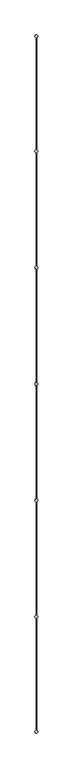
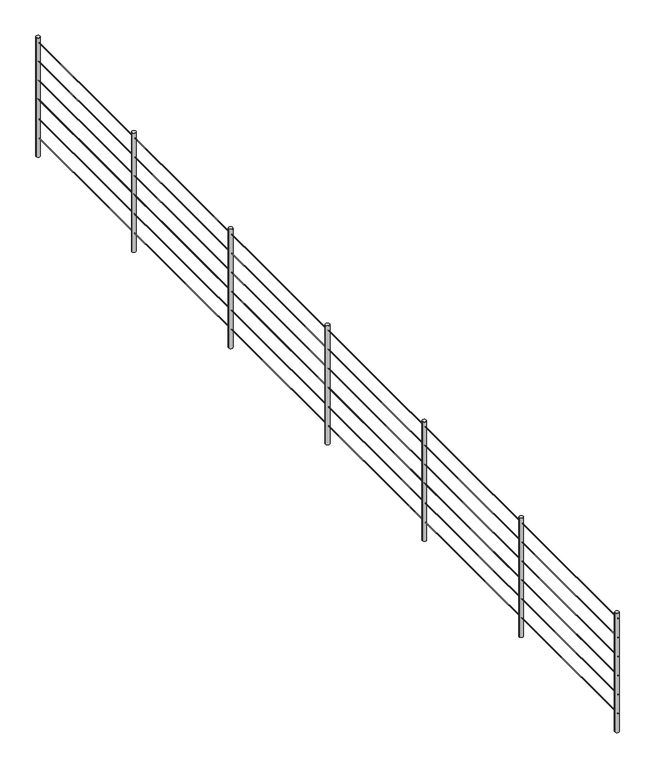
"""IFC4 building model written with IfcOpenShell, lengths in millimetres: railing geometry."""

from ifc_helpers import new_model, si_unit, point, frame, frame_2d, origin, origin_with_axes, place, context, project, spatial, circle_curve, trimmed, segment, composite_curve, outline, extrude, source, transform, mapped, element, save


def railing_3e603658(model_context):
    return source(origin(), model_context, "Body", "SweptSolid", [
        extrude(outline(composite_curve([segment(trimmed(circle_curve(frame_2d((1197.0, 9691.8596432)), 3.0), [point((1197.0, 9688.8596432))], [point((1197.0, 9694.8596432))], False, "CARTESIAN"), True, "CONTINUOUS"), segment(trimmed(circle_curve(frame_2d((1197.0, 9691.8596432)), 3.0), [point((1197.0, 9694.8596432))], [point((1197.0, 9688.8596432))], False, "CARTESIAN"), True, "CONTINUOUS")], self_intersect=False)), frame((0.0, 46983.3026478, 0.0), z_axis=(0.0, 1.0, 0.0), x_axis=(0.0, 0.0, 1.0)), (0.0, 0.0, 1.0), 10000.0),
        extrude(outline(composite_curve([segment(trimmed(circle_curve(frame_2d((997.0, 9691.8596432)), 3.0), [point((997.0, 9688.8596432))], [point((997.0, 9694.8596432))], False, "CARTESIAN"), True, "CONTINUOUS"), segment(trimmed(circle_curve(frame_2d((997.0, 9691.8596432)), 3.0), [point((997.0, 9694.8596432))], [point((997.0, 9688.8596432))], False, "CARTESIAN"), True, "CONTINUOUS")], self_intersect=False)), frame((0.0, 46983.3026478, 0.0), z_axis=(0.0, 1.0, 0.0), x_axis=(0.0, 0.0, 1.0)), (0.0, 0.0, 1.0), 10000.0),
        extrude(outline(composite_curve([segment(trimmed(circle_curve(frame_2d((797.0, 9691.8596432)), 3.0), [point((797.0, 9688.8596432))], [point((797.0, 9694.8596432))], False, "CARTESIAN"), True, "CONTINUOUS"), segment(trimmed(circle_curve(frame_2d((797.0, 9691.8596432)), 3.0), [point((797.0, 9694.8596432))], [point((797.0, 9688.8596432))], False, "CARTESIAN"), True, "CONTINUOUS")], self_intersect=False)), frame((0.0, 46983.3026478, 0.0), z_axis=(0.0, 1.0, 0.0), x_axis=(0.0, 0.0, 1.0)), (0.0, 0.0, 1.0), 10000.0),
        extrude(outline(composite_curve([segment(trimmed(circle_curve(frame_2d((597.0, 9691.8596432)), 3.0), [point((597.0, 9688.8596432))], [point((597.0, 9694.8596432))], False, "CARTESIAN"), True, "CONTINUOUS"), segment(trimmed(circle_curve(frame_2d((597.0, 9691.8596432)), 3.0), [point((597.0, 9694.8596432))], [point((597.0, 9688.8596432))], False, "CARTESIAN"), True, "CONTINUOUS")], self_intersect=False)), frame((0.0, 46983.3026478, 0.0), z_axis=(0.0, 1.0, 0.0), x_axis=(0.0, 0.0, 1.0)), (0.0, 0.0, 1.0), 10000.0),
        extrude(outline(composite_curve([segment(trimmed(circle_curve(frame_2d((397.0, 9691.8596432)), 3.0), [point((397.0, 9688.8596432))], [point((397.0, 9694.8596432))], False, "CARTESIAN"), True, "CONTINUOUS"), segment(trimmed(circle_curve(frame_2d((397.0, 9691.8596432)), 3.0), [point((397.0, 9694.8596432))], [point((397.0, 9688.8596432))], False, "CARTESIAN"), True, "CONTINUOUS")], self_intersect=False)), frame((0.0, 46983.3026478, 0.0), z_axis=(0.0, 1.0, 0.0), x_axis=(0.0, 0.0, 1.0)), (0.0, 0.0, 1.0), 10000.0),
        extrude(outline(composite_curve([segment(trimmed(circle_curve(frame_2d((197.0, 9691.8596432)), 3.0), [point((197.0, 9688.8596432))], [point((197.0, 9694.8596432))], False, "CARTESIAN"), True, "CONTINUOUS"), segment(trimmed(circle_curve(frame_2d((197.0, 9691.8596432)), 3.0), [point((197.0, 9694.8596432))], [point((197.0, 9688.8596432))], False, "CARTESIAN"), True, "CONTINUOUS")], self_intersect=False)), frame((0.0, 46983.3026478, 0.0), z_axis=(0.0, 1.0, 0.0), x_axis=(0.0, 0.0, 1.0)), (0.0, 0.0, 1.0), 10000.0),
        extrude(outline(composite_curve([segment(trimmed(circle_curve(frame_2d((9691.8596432, 55316.6359811)), 20.0), [point((9671.8596432, 55316.6359811))], [point((9711.8596432, 55316.6359811))], False, "CARTESIAN"), True, "CONTINUOUS"), segment(trimmed(circle_curve(frame_2d((9691.8596432, 55316.6359811)), 20.0), [point((9711.8596432, 55316.6359811))], [point((9671.8596432, 55316.6359811))], False, "CARTESIAN"), True, "CONTINUOUS")], self_intersect=False)), origin_with_axes(), (0.0, 0.0, 1.0), 1250.0),
        extrude(outline(composite_curve([segment(trimmed(circle_curve(frame_2d((9691.8596432, 53649.9693145)), 20.0), [point((9671.8596432, 53649.9693145))], [point((9711.8596432, 53649.9693145))], False, "CARTESIAN"), True, "CONTINUOUS"), segment(trimmed(circle_curve(frame_2d((9691.8596432, 53649.9693145)), 20.0), [point((9711.8596432, 53649.9693145))], [point((9671.8596432, 53649.9693145))], False, "CARTESIAN"), True, "CONTINUOUS")], self_intersect=False)), origin_with_axes(), (0.0, 0.0, 1.0), 1250.0),
        extrude(outline(composite_curve([segment(trimmed(circle_curve(frame_2d((9691.8596432, 51983.3026478)), 20.0), [point((9671.8596432, 51983.3026478))], [point((9711.8596432, 51983.3026478))], False, "CARTESIAN"), True, "CONTINUOUS"), segment(trimmed(circle_curve(frame_2d((9691.8596432, 51983.3026478)), 20.0), [point((9711.8596432, 51983.3026478))], [point((9671.8596432, 51983.3026478))], False, "CARTESIAN"), True, "CONTINUOUS")], self_intersect=False)), origin_with_axes(), (0.0, 0.0, 1.0), 1250.0),
        extrude(outline(composite_curve([segment(trimmed(circle_curve(frame_2d((9691.8596432, 50316.6359811)), 20.0), [point((9671.8596432, 50316.6359811))], [point((9711.8596432, 50316.6359811))], False, "CARTESIAN"), True, "CONTINUOUS"), segment(trimmed(circle_curve(frame_2d((9691.8596432, 50316.6359811)), 20.0), [point((9711.8596432, 50316.6359811))], [point((9671.8596432, 50316.6359811))], False, "CARTESIAN"), True, "CONTINUOUS")], self_intersect=False)), origin_with_axes(), (0.0, 0.0, 1.0), 1250.0),
        extrude(outline(composite_curve([segment(trimmed(circle_curve(frame_2d((9691.8596432, 48649.9693145)), 20.0), [point((9671.8596432, 48649.9693145))], [point((9711.8596432, 48649.9693145))], False, "CARTESIAN"), True, "CONTINUOUS"), segment(trimmed(circle_curve(frame_2d((9691.8596432, 48649.9693145)), 20.0), [point((9711.8596432, 48649.9693145))], [point((9671.8596432, 48649.9693145))], False, "CARTESIAN"), True, "CONTINUOUS")], self_intersect=False)), origin_with_axes(), (0.0, 0.0, 1.0), 1250.0),
        extrude(outline(composite_curve([segment(trimmed(circle_curve(frame_2d((9691.8596432, 56963.3026478)), 20.0), [point((9671.8596432, 56963.3026478))], [point((9711.8596432, 56963.3026478))], False, "CARTESIAN"), True, "CONTINUOUS"), segment(trimmed(circle_curve(frame_2d((9691.8596432, 56963.3026478)), 20.0), [point((9711.8596432, 56963.3026478))], [point((9671.8596432, 56963.3026478))], False, "CARTESIAN"), True, "CONTINUOUS")], self_intersect=False)), origin_with_axes(), (0.0, 0.0, 1.0), 1250.0),
        extrude(outline(composite_curve([segment(trimmed(circle_curve(frame_2d((9691.8596432, 47003.3026478)), 20.0), [point((9671.8596432, 47003.3026478))], [point((9711.8596432, 47003.3026478))], False, "CARTESIAN"), True, "CONTINUOUS"), segment(trimmed(circle_curve(frame_2d((9691.8596432, 47003.3026478)), 20.0), [point((9711.8596432, 47003.3026478))], [point((9671.8596432, 47003.3026478))], False, "CARTESIAN"), True, "CONTINUOUS")], self_intersect=False)), origin_with_axes(), (0.0, 0.0, 1.0), 1250.0),
    ])


if __name__ == "__main__":
    model = new_model("IFC4")
    model_context = context("Model", 3, world=origin())
    ifc_project = project(units=[si_unit("LENGTHUNIT", "METRE", prefix="MILLI")], contexts=[model_context])
    site = spatial("IfcSite", under=ifc_project)
    building = spatial("IfcBuilding", under=site)
    placement = place(None, origin())
    railing_shape = railing_3e603658(model_context)
    element("IfcRailing", 1, at=placement, inside=building, context=model_context, shape_type="MappedRepresentation", body=[
        mapped(railing_shape, transform((0.0, 0.0, 0.0), x_axis=(1.0, 0.0, 0.0), y_axis=(0.0, 1.0, 0.0), z_axis=(0.0, 0.0, 1.0))),
    ])
    save(model, "model.ifc")
